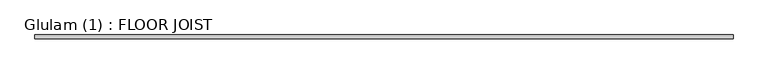
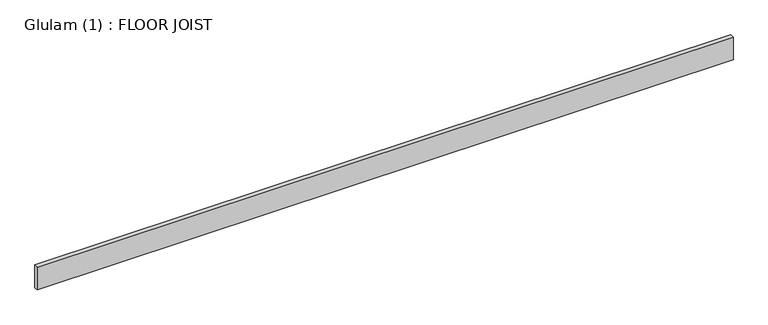
"""IFC4 building model written with IfcOpenShell, lengths in millimetres: beam geometry, Glulam (1) : FLOOR JOIST."""

import ifcopenshell
import ifcopenshell.guid

model = None  # the IFC model being written
_history = None  # IfcOwnerHistory: only IFC2X3 demands one
_inside = {}  # id of a spatial element -> (the spatial element, [elements in it])
_under = {}  # id of a project, library or spatial element -> (it, [spatial elements below it])
_declared = {}  # id of a project -> (the project, [libraries it declares])
_typed = {}  # id of a type object -> (the type object, [elements of that type])
_made_of = {}  # id of a material, layer set ... -> (it, [elements and type objects made of it])


def new_model(schema):
    """Start an empty IFC model of exactly this schema.

    Asked for "IFC4X3", IfcOpenShell would pick the latest addendum, in which some entities
    have other attributes; the version numbers below select the first issue.
    IFC2X3 requires an IfcOwnerHistory on every rooted entity: one is made here for all.
    """
    global model, _history
    if schema == "IFC4X3":
        model = ifcopenshell.file(schema_version=(4, 3, 0, 0))
    else:
        model = ifcopenshell.file(schema=schema)
    _inside.clear()
    _under.clear()
    _declared.clear()
    _typed.clear()
    _made_of.clear()
    _history = None
    if model.schema == "IFC2X3":
        org = make("IfcOrganization", Name="unknown")
        user = make(
            "IfcPersonAndOrganization",
            ThePerson=make("IfcPerson", FamilyName="unknown"),
            TheOrganization=org,
        )
        app = make(
            "IfcApplication",
            ApplicationDeveloper=org,
            Version="unknown",
            ApplicationFullName="unknown",
            ApplicationIdentifier="unknown",
        )
        _history = make(
            "IfcOwnerHistory",
            OwningUser=user,
            OwningApplication=app,
            ChangeAction="ADDED",
            CreationDate=0,
        )
    return model


def make(cls, **values):
    """One entity of the class cls with the attributes given. An attribute that is None is left unset."""
    return model.create_entity(
        cls, **{name: value for name, value in values.items() if value is not None}
    )


def rooted(cls, **values):
    """An entity with a GlobalId (a new one), such as an element, a storey or a relation."""
    return make(cls, GlobalId=ifcopenshell.guid.new(), OwnerHistory=_history, **values)


def si_unit(unit_type, name, prefix=None):
    """IfcSIUnit, for example si_unit("LENGTHUNIT", "METRE", prefix="MILLI")."""
    return make("IfcSIUnit", UnitType=unit_type, Prefix=prefix, Name=name)


def assignment(units):
    """IfcUnitAssignment: the units of a project."""
    return None if units is None else make("IfcUnitAssignment", Units=units)


def point(xyz):
    """IfcCartesianPoint."""
    return None if xyz is None else make("IfcCartesianPoint", Coordinates=xyz)


def direction(xyz):
    """IfcDirection."""
    return None if xyz is None else make("IfcDirection", DirectionRatios=xyz)


def frame(location, z_axis=None, x_axis=None):
    """IfcAxis2Placement3D, a coordinate frame: its origin and axes. An axis left out is left unset."""
    return make(
        "IfcAxis2Placement3D",
        Location=point(location),
        Axis=direction(z_axis),
        RefDirection=direction(x_axis),
    )


def origin():
    """The frame at (0, 0, 0) with its axes left unset."""
    return frame((0.0, 0.0, 0.0))


def place(relative_to, where):
    """IfcLocalPlacement: puts the frame where relative to a parent placement (None: the world)."""
    return make(
        "IfcLocalPlacement", PlacementRelTo=relative_to, RelativePlacement=where
    )


def context(
    kind, dimensions, precision=None, world=None, true_north=None, identifier=None
):
    """IfcGeometricRepresentationContext, for example the 3D "Model" context."""
    return make(
        "IfcGeometricRepresentationContext",
        ContextIdentifier=identifier,
        ContextType=kind,
        CoordinateSpaceDimension=dimensions,
        Precision=precision,
        WorldCoordinateSystem=world,
        TrueNorth=true_north,
    )


def project(units=None, contexts=None):
    """IfcProject with its units and contexts."""
    return rooted(
        "IfcProject",
        Name="project",
        RepresentationContexts=contexts,
        UnitsInContext=assignment(units),
    )


def spatial(cls, under=None, at=None, **own):
    """A site, building, storey or space (cls), placed at a placement, below another one or the project."""
    s = rooted(cls, ObjectPlacement=at, **own)
    if under is not None:
        _under.setdefault(under.id(), (under, []))[1].append(s)
    return s


def polyline(points):
    """IfcPolyline through the points."""
    return make("IfcPolyline", Points=[point(p) for p in points])


def outline(outer, holes=None, kind="AREA"):
    """IfcArbitraryClosedProfileDef: a profile drawn as a closed curve; with holes, ...WithVoids."""
    if holes is None:
        return make("IfcArbitraryClosedProfileDef", ProfileType=kind, OuterCurve=outer)
    return make(
        "IfcArbitraryProfileDefWithVoids",
        ProfileType=kind,
        OuterCurve=outer,
        InnerCurves=holes,
    )


def extrude(swept, where, along, depth):
    """IfcExtrudedAreaSolid: the profile swept, set in the frame where, extruded along a direction by depth."""
    return make(
        "IfcExtrudedAreaSolid",
        SweptArea=swept,
        Position=where,
        ExtrudedDirection=direction(along),
        Depth=depth,
    )


def shape(context_of_items, identifier, shape_type, items):
    """IfcShapeRepresentation: the items that make up one representation, for example the "Body"."""
    return make(
        "IfcShapeRepresentation",
        ContextOfItems=context_of_items,
        RepresentationIdentifier=identifier,
        RepresentationType=shape_type,
        Items=items,
    )


def source(mapping_origin, context_of_items, identifier, shape_type, items):
    """IfcRepresentationMap: a shape defined once, which mapped items show again and again."""
    return make(
        "IfcRepresentationMap",
        MappingOrigin=mapping_origin,
        MappedRepresentation=shape(context_of_items, identifier, shape_type, items),
    )


def transform(
    local_origin,
    x_axis=None,
    y_axis=None,
    z_axis=None,
    scale=None,
    scale2=None,
    scale3=None,
    uniform=True,
):
    """IfcCartesianTransformationOperator3D, or its non-uniform kind. x_axis, y_axis, z_axis: its Axis1, 2, 3."""
    if uniform:
        return make(
            "IfcCartesianTransformationOperator3D",
            Axis1=direction(x_axis),
            Axis2=direction(y_axis),
            LocalOrigin=point(local_origin),
            Scale=scale,
            Axis3=direction(z_axis),
        )
    return make(
        "IfcCartesianTransformationOperator3DnonUniform",
        Axis1=direction(x_axis),
        Axis2=direction(y_axis),
        LocalOrigin=point(local_origin),
        Scale=scale,
        Axis3=direction(z_axis),
        Scale2=scale2,
        Scale3=scale3,
    )


def mapped(mapping_source, mapping_target):
    """IfcMappedItem: shows the shape of a source again, moved by a transform."""
    return make(
        "IfcMappedItem", MappingSource=mapping_source, MappingTarget=mapping_target
    )


def made_of(thing, what):
    """Note that an element or type object is made of a material, layer set ...; save() writes the relation."""
    if what is not None:
        _made_of.setdefault(what.id(), (what, []))[1].append(thing)
    return thing


def element(
    cls,
    number,
    at=None,
    inside=None,
    cuts=None,
    type_object=None,
    material=None,
    context=None,
    identifier="Body",
    shape_type=None,
    held_by="IfcProductDefinitionShape",
    body=None,
    shapes=None,
    **own,
):
    """One element of the class cls, such as IfcWall. Its Tag is "e" and its number.

    at: its placement. inside: the storey or other place that contains it. cuts: it is an
    opening in that element (IfcRelVoidsElement). A single representation is given by context,
    identifier, shape_type and body (its items); several are given by shapes. held_by: the class
    of the entity that holds the representations. save() writes the other relations.
    """
    e = rooted(cls, Tag="e%d" % number, ObjectPlacement=at, **own)
    if body is not None:
        shapes = [shape(context, identifier, shape_type, body)]
    if shapes is not None:
        e.Representation = make(held_by, Representations=shapes)
    if inside is not None:
        _inside.setdefault(inside.id(), (inside, []))[1].append(e)
    if cuts is not None:
        rooted(
            "IfcRelVoidsElement", RelatingBuildingElement=cuts, RelatedOpeningElement=e
        )
    if type_object is not None:
        _typed.setdefault(type_object.id(), (type_object, []))[1].append(e)
    return made_of(e, material)


def aggregate(whole, parts):
    """IfcRelAggregates: a whole, such as a stair, and the parts it consists of."""
    return rooted("IfcRelAggregates", RelatingObject=whole, RelatedObjects=parts)


def save(model, path):
    """Write the relations noted so far, then the file.

    IfcRelAggregates (storeys below a building ...), IfcRelContainedInSpatialStructure (elements
    in a storey), IfcRelDefinesByType, IfcRelAssociatesMaterial and IfcRelDeclares: one each for
    every whole, place, type object, material and project.
    """
    for whole, parts in _under.values():
        aggregate(whole, parts)
    for where, things in _inside.values():
        rooted(
            "IfcRelContainedInSpatialStructure",
            RelatedElements=things,
            RelatingStructure=where,
        )
    for kind, things in _typed.values():
        rooted("IfcRelDefinesByType", RelatedObjects=things, RelatingType=kind)
    for what, things in _made_of.values():
        rooted("IfcRelAssociatesMaterial", RelatedObjects=things, RelatingMaterial=what)
    for by, libraries in _declared.values():
        rooted("IfcRelDeclares", RelatingContext=by, RelatedDefinitions=libraries)
    model.write(path)


def glulam_1_floor_joist_705db226(model_context):
    return source(origin(), model_context, "Body", "SweptSolid", [
        extrude(outline(polyline([(4190.0, 22.5), (4190.0, -22.5), (-4192.0, -22.5), (-4192.0, 22.5), (4190.0, 22.5)])), frame((0.0, 0.0, -145.0), z_axis=(0.0, 0.0, 1.0), x_axis=(1.0, 0.0, 0.0)), (0.0, 0.0, 1.0), 290.0),
    ])


if __name__ == "__main__":
    model = new_model("IFC4")
    model_context = context("Model", 3, world=origin())
    ifc_project = project(units=[si_unit("LENGTHUNIT", "METRE", prefix="MILLI")], contexts=[model_context])
    site = spatial("IfcSite", under=ifc_project)
    building = spatial("IfcBuilding", under=site)
    placement = place(None, origin())
    glulam_1_floor_joist_shape = glulam_1_floor_joist_705db226(model_context)
    element("IfcBeam", 1, ObjectType="Glulam (1) : FLOOR JOIST", at=placement, inside=building, context=model_context, shape_type="MappedRepresentation", body=[
        mapped(glulam_1_floor_joist_shape, transform((0.0, 0.0, 0.0), x_axis=(1.0, 0.0, 0.0), y_axis=(0.0, 1.0, 0.0), z_axis=(0.0, 0.0, 1.0))),
    ])
    save(model, "model.ifc")
